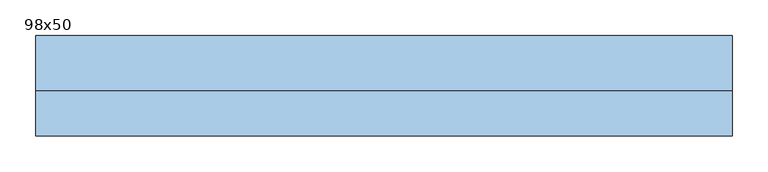
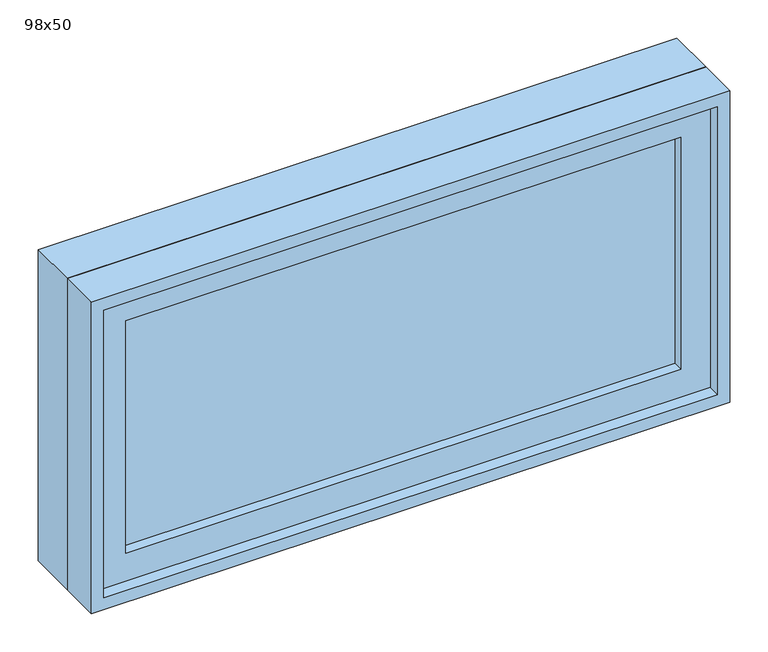
"""IFC4 building model written with IfcOpenShell, lengths in millimetres: window geometry, 98x50."""

from ifc_helpers import new_model, si_unit, frame, origin, place, context, project, spatial, polyline, outline, extrude, source, transform, mapped, element, save


def window_98x50_5831fb3e(model_context):
    return source(origin(), model_context, "Body", "SweptSolid", [
        extrude(outline(polyline([(383.4, -22.375), (383.4, -35.075), (-459.6, -35.075), (-459.6, -22.375), (383.4, -22.375)])), frame((0.0, 0.0, 977.9), z_axis=(0.0, 0.0, 1.0), x_axis=(1.0, 0.0, 0.0)), (0.0, 0.0, 1.0), 373.0),
        extrude(outline(polyline([(1395.35, -504.05), (933.45, -504.05), (933.45, 427.85), (1395.35, 427.85), (1395.35, -504.05)]), holes=[polyline([(1350.9, -459.6), (1350.9, 383.4), (977.9, 383.4), (977.9, -459.6), (1350.9, -459.6)])]), frame((0.0, -50.95, 0.0), z_axis=(0.0, 1.0, 0.0), x_axis=(0.0, 0.0, 1.0)), (0.0, 0.0, 1.0), 44.45),
        extrude(outline(polyline([(1414.4, -523.1), (914.4, -523.1), (914.4, 446.9), (1414.4, 446.9), (1414.4, -523.1)]), holes=[polyline([(1382.65, -491.35), (1382.65, 415.15), (946.15, 415.15), (946.15, -491.35), (1382.65, -491.35)])]), frame((0.0, -6.5, 0.0), z_axis=(0.0, 1.0, 0.0), x_axis=(0.0, 0.0, 1.0)), (0.0, 0.0, 1.0), 76.5),
        extrude(outline(polyline([(1414.4, 446.9), (1414.4, -523.1), (914.4, -523.1), (914.4, 446.9), (1414.4, 446.9)]), holes=[polyline([(1395.35, 427.85), (933.45, 427.85), (933.45, -504.05), (1395.35, -504.05), (1395.35, 427.85)])]), frame((0.0, -70.0, 0.0), z_axis=(0.0, 1.0, 0.0), x_axis=(0.0, 0.0, 1.0)), (0.0, 0.0, 1.0), 63.5),
    ])


if __name__ == "__main__":
    model = new_model("IFC4")
    model_context = context("Model", 3, world=origin())
    ifc_project = project(units=[si_unit("LENGTHUNIT", "METRE", prefix="MILLI")], contexts=[model_context])
    site = spatial("IfcSite", under=ifc_project)
    building = spatial("IfcBuilding", under=site)
    placement = place(None, origin())
    window_98x50_shape = window_98x50_5831fb3e(model_context)
    element("IfcWindow", 1, ObjectType="98x50", at=placement, inside=building, context=model_context, shape_type="MappedRepresentation", body=[
        mapped(window_98x50_shape, transform((0.0, 0.0, 0.0), x_axis=(1.0, 0.0, 0.0), y_axis=(0.0, 1.0, 0.0), z_axis=(0.0, 0.0, 1.0))),
    ])
    save(model, "model.ifc")
